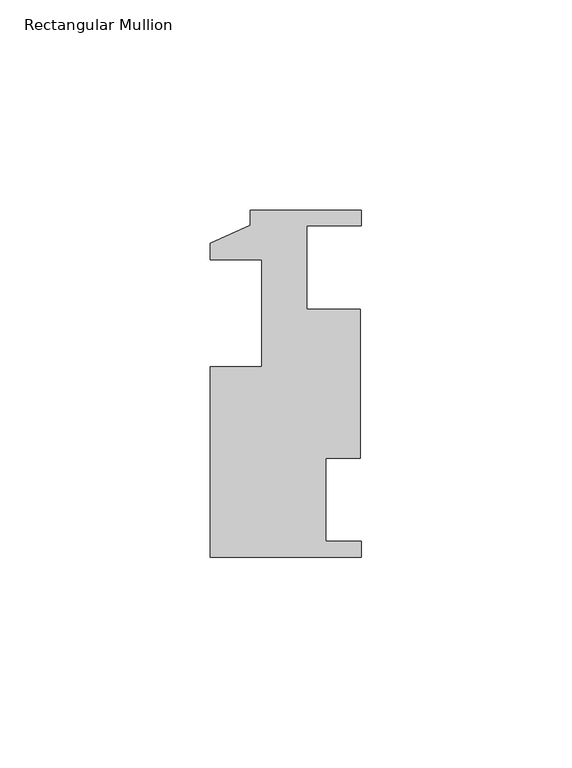
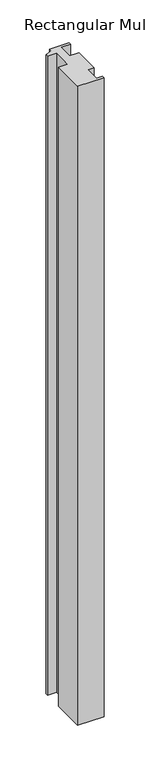
"""IFC4 building model written with IfcOpenShell, lengths in millimetres: member geometry, Rectangular Mullion."""

from ifc_helpers import new_model, si_unit, frame, origin, place, context, project, spatial, polyline, outline, extrude, source, transform, mapped, element, save


def rectangular_mullion_2ad6861b(model_context):
    return source(origin(), model_context, "Body", "SweptSolid", [
        extrude(outline(polyline([(0.0, -42.9932696), (-35.9918, -42.9932696), (-35.9918, 2.3203304), (-23.7744, 2.3203304), (-23.7744, 27.7203304), (-35.9918, 27.7203304), (-35.9918, 31.6319304), (-26.4668, 35.9499304), (-26.4668, 39.5567304), (0.0, 39.5567304), (0.0, 35.8229304), (-12.9710126, 35.8229304), (-12.9710126, 15.9855304), (-0.3457015, 15.9855304), (-0.3457015, -19.4220696), (-8.4761586, -19.4220696), (-8.4761586, -39.2594696), (0.0, -39.2594696), (0.0, -42.9932696)])), frame((0.0, 0.0, -914.4), z_axis=(0.0, 0.0, 1.0), x_axis=(1.0, 0.0, 0.0)), (0.0, 0.0, 1.0), 914.4),
    ])


if __name__ == "__main__":
    model = new_model("IFC4")
    model_context = context("Model", 3, world=origin())
    ifc_project = project(units=[si_unit("LENGTHUNIT", "METRE", prefix="MILLI")], contexts=[model_context])
    site = spatial("IfcSite", under=ifc_project)
    building = spatial("IfcBuilding", under=site)
    placement = place(None, origin())
    rectangular_mullion_shape = rectangular_mullion_2ad6861b(model_context)
    element("IfcMember", 1, ObjectType="Rectangular Mullion", at=placement, inside=building, context=model_context, shape_type="MappedRepresentation", body=[
        mapped(rectangular_mullion_shape, transform((0.0, 0.0, 0.0), x_axis=(1.0, 0.0, 0.0), y_axis=(0.0, 1.0, 0.0), z_axis=(0.0, 0.0, 1.0))),
    ])
    save(model, "model.ifc")
